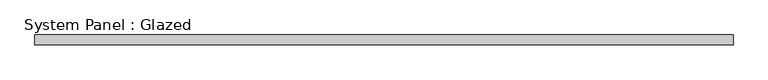
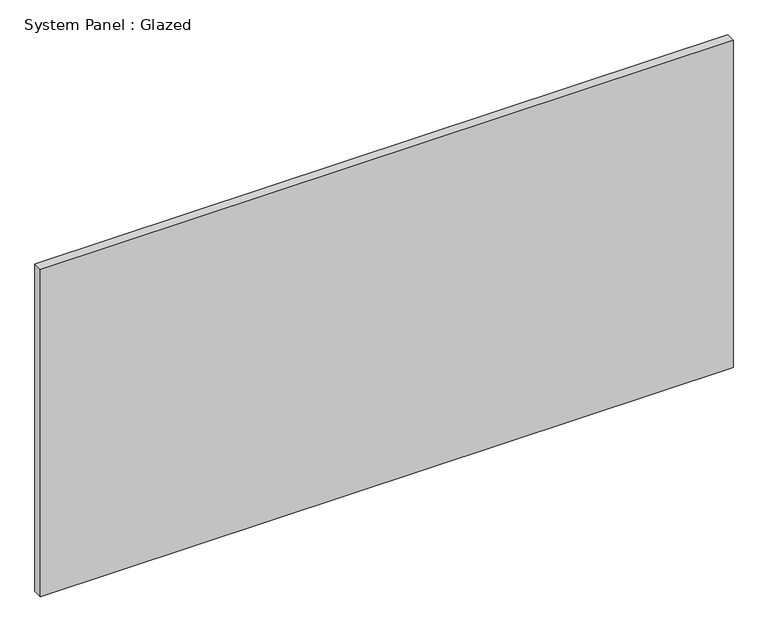
"""IFC4 building model written with IfcOpenShell, lengths in millimetres: plate geometry, System Panel : Glazed."""

import ifcopenshell
import ifcopenshell.guid

model = None  # the IFC model being written
_history = None  # IfcOwnerHistory: only IFC2X3 demands one
_inside = {}  # id of a spatial element -> (the spatial element, [elements in it])
_under = {}  # id of a project, library or spatial element -> (it, [spatial elements below it])
_declared = {}  # id of a project -> (the project, [libraries it declares])
_typed = {}  # id of a type object -> (the type object, [elements of that type])
_made_of = {}  # id of a material, layer set ... -> (it, [elements and type objects made of it])


def new_model(schema):
    """Start an empty IFC model of exactly this schema.

    Asked for "IFC4X3", IfcOpenShell would pick the latest addendum, in which some entities
    have other attributes; the version numbers below select the first issue.
    IFC2X3 requires an IfcOwnerHistory on every rooted entity: one is made here for all.
    """
    global model, _history
    if schema == "IFC4X3":
        model = ifcopenshell.file(schema_version=(4, 3, 0, 0))
    else:
        model = ifcopenshell.file(schema=schema)
    _inside.clear()
    _under.clear()
    _declared.clear()
    _typed.clear()
    _made_of.clear()
    _history = None
    if model.schema == "IFC2X3":
        org = make("IfcOrganization", Name="unknown")
        user = make(
            "IfcPersonAndOrganization",
            ThePerson=make("IfcPerson", FamilyName="unknown"),
            TheOrganization=org,
        )
        app = make(
            "IfcApplication",
            ApplicationDeveloper=org,
            Version="unknown",
            ApplicationFullName="unknown",
            ApplicationIdentifier="unknown",
        )
        _history = make(
            "IfcOwnerHistory",
            OwningUser=user,
            OwningApplication=app,
            ChangeAction="ADDED",
            CreationDate=0,
        )
    return model


def make(cls, **values):
    """One entity of the class cls with the attributes given. An attribute that is None is left unset."""
    return model.create_entity(
        cls, **{name: value for name, value in values.items() if value is not None}
    )


def rooted(cls, **values):
    """An entity with a GlobalId (a new one), such as an element, a storey or a relation."""
    return make(cls, GlobalId=ifcopenshell.guid.new(), OwnerHistory=_history, **values)


def si_unit(unit_type, name, prefix=None):
    """IfcSIUnit, for example si_unit("LENGTHUNIT", "METRE", prefix="MILLI")."""
    return make("IfcSIUnit", UnitType=unit_type, Prefix=prefix, Name=name)


def assignment(units):
    """IfcUnitAssignment: the units of a project."""
    return None if units is None else make("IfcUnitAssignment", Units=units)


def point(xyz):
    """IfcCartesianPoint."""
    return None if xyz is None else make("IfcCartesianPoint", Coordinates=xyz)


def direction(xyz):
    """IfcDirection."""
    return None if xyz is None else make("IfcDirection", DirectionRatios=xyz)


def frame(location, z_axis=None, x_axis=None):
    """IfcAxis2Placement3D, a coordinate frame: its origin and axes. An axis left out is left unset."""
    return make(
        "IfcAxis2Placement3D",
        Location=point(location),
        Axis=direction(z_axis),
        RefDirection=direction(x_axis),
    )


def origin():
    """The frame at (0, 0, 0) with its axes left unset."""
    return frame((0.0, 0.0, 0.0))


def origin_with_axes():
    """The frame at (0, 0, 0) with the z axis (0, 0, 1) and the x axis (1, 0, 0) written out."""
    return frame((0.0, 0.0, 0.0), z_axis=(0.0, 0.0, 1.0), x_axis=(1.0, 0.0, 0.0))


def place(relative_to, where):
    """IfcLocalPlacement: puts the frame where relative to a parent placement (None: the world)."""
    return make(
        "IfcLocalPlacement", PlacementRelTo=relative_to, RelativePlacement=where
    )


def context(
    kind, dimensions, precision=None, world=None, true_north=None, identifier=None
):
    """IfcGeometricRepresentationContext, for example the 3D "Model" context."""
    return make(
        "IfcGeometricRepresentationContext",
        ContextIdentifier=identifier,
        ContextType=kind,
        CoordinateSpaceDimension=dimensions,
        Precision=precision,
        WorldCoordinateSystem=world,
        TrueNorth=true_north,
    )


def project(units=None, contexts=None):
    """IfcProject with its units and contexts."""
    return rooted(
        "IfcProject",
        Name="project",
        RepresentationContexts=contexts,
        UnitsInContext=assignment(units),
    )


def spatial(cls, under=None, at=None, **own):
    """A site, building, storey or space (cls), placed at a placement, below another one or the project."""
    s = rooted(cls, ObjectPlacement=at, **own)
    if under is not None:
        _under.setdefault(under.id(), (under, []))[1].append(s)
    return s


def polyline(points):
    """IfcPolyline through the points."""
    return make("IfcPolyline", Points=[point(p) for p in points])


def outline(outer, holes=None, kind="AREA"):
    """IfcArbitraryClosedProfileDef: a profile drawn as a closed curve; with holes, ...WithVoids."""
    if holes is None:
        return make("IfcArbitraryClosedProfileDef", ProfileType=kind, OuterCurve=outer)
    return make(
        "IfcArbitraryProfileDefWithVoids",
        ProfileType=kind,
        OuterCurve=outer,
        InnerCurves=holes,
    )


def extrude(swept, where, along, depth):
    """IfcExtrudedAreaSolid: the profile swept, set in the frame where, extruded along a direction by depth."""
    return make(
        "IfcExtrudedAreaSolid",
        SweptArea=swept,
        Position=where,
        ExtrudedDirection=direction(along),
        Depth=depth,
    )


def shape(context_of_items, identifier, shape_type, items):
    """IfcShapeRepresentation: the items that make up one representation, for example the "Body"."""
    return make(
        "IfcShapeRepresentation",
        ContextOfItems=context_of_items,
        RepresentationIdentifier=identifier,
        RepresentationType=shape_type,
        Items=items,
    )


def source(mapping_origin, context_of_items, identifier, shape_type, items):
    """IfcRepresentationMap: a shape defined once, which mapped items show again and again."""
    return make(
        "IfcRepresentationMap",
        MappingOrigin=mapping_origin,
        MappedRepresentation=shape(context_of_items, identifier, shape_type, items),
    )


def transform(
    local_origin,
    x_axis=None,
    y_axis=None,
    z_axis=None,
    scale=None,
    scale2=None,
    scale3=None,
    uniform=True,
):
    """IfcCartesianTransformationOperator3D, or its non-uniform kind. x_axis, y_axis, z_axis: its Axis1, 2, 3."""
    if uniform:
        return make(
            "IfcCartesianTransformationOperator3D",
            Axis1=direction(x_axis),
            Axis2=direction(y_axis),
            LocalOrigin=point(local_origin),
            Scale=scale,
            Axis3=direction(z_axis),
        )
    return make(
        "IfcCartesianTransformationOperator3DnonUniform",
        Axis1=direction(x_axis),
        Axis2=direction(y_axis),
        LocalOrigin=point(local_origin),
        Scale=scale,
        Axis3=direction(z_axis),
        Scale2=scale2,
        Scale3=scale3,
    )


def mapped(mapping_source, mapping_target):
    """IfcMappedItem: shows the shape of a source again, moved by a transform."""
    return make(
        "IfcMappedItem", MappingSource=mapping_source, MappingTarget=mapping_target
    )


def made_of(thing, what):
    """Note that an element or type object is made of a material, layer set ...; save() writes the relation."""
    if what is not None:
        _made_of.setdefault(what.id(), (what, []))[1].append(thing)
    return thing


def element(
    cls,
    number,
    at=None,
    inside=None,
    cuts=None,
    type_object=None,
    material=None,
    context=None,
    identifier="Body",
    shape_type=None,
    held_by="IfcProductDefinitionShape",
    body=None,
    shapes=None,
    **own,
):
    """One element of the class cls, such as IfcWall. Its Tag is "e" and its number.

    at: its placement. inside: the storey or other place that contains it. cuts: it is an
    opening in that element (IfcRelVoidsElement). A single representation is given by context,
    identifier, shape_type and body (its items); several are given by shapes. held_by: the class
    of the entity that holds the representations. save() writes the other relations.
    """
    e = rooted(cls, Tag="e%d" % number, ObjectPlacement=at, **own)
    if body is not None:
        shapes = [shape(context, identifier, shape_type, body)]
    if shapes is not None:
        e.Representation = make(held_by, Representations=shapes)
    if inside is not None:
        _inside.setdefault(inside.id(), (inside, []))[1].append(e)
    if cuts is not None:
        rooted(
            "IfcRelVoidsElement", RelatingBuildingElement=cuts, RelatedOpeningElement=e
        )
    if type_object is not None:
        _typed.setdefault(type_object.id(), (type_object, []))[1].append(e)
    return made_of(e, material)


def aggregate(whole, parts):
    """IfcRelAggregates: a whole, such as a stair, and the parts it consists of."""
    return rooted("IfcRelAggregates", RelatingObject=whole, RelatedObjects=parts)


def save(model, path):
    """Write the relations noted so far, then the file.

    IfcRelAggregates (storeys below a building ...), IfcRelContainedInSpatialStructure (elements
    in a storey), IfcRelDefinesByType, IfcRelAssociatesMaterial and IfcRelDeclares: one each for
    every whole, place, type object, material and project.
    """
    for whole, parts in _under.values():
        aggregate(whole, parts)
    for where, things in _inside.values():
        rooted(
            "IfcRelContainedInSpatialStructure",
            RelatedElements=things,
            RelatingStructure=where,
        )
    for kind, things in _typed.values():
        rooted("IfcRelDefinesByType", RelatedObjects=things, RelatingType=kind)
    for what, things in _made_of.values():
        rooted("IfcRelAssociatesMaterial", RelatedObjects=things, RelatingMaterial=what)
    for by, libraries in _declared.values():
        rooted("IfcRelDeclares", RelatingContext=by, RelatedDefinitions=libraries)
    model.write(path)


def system_panel_glazed_df63da1b(model_context):
    return source(origin(), model_context, "Body", "SweptSolid", [
        extrude(outline(polyline([(914.4000002, 19.05), (-914.4000002, 19.05), (-914.4000002, 44.45), (914.4000002, 44.45), (914.4000002, 19.05)])), origin_with_axes(), (0.0, 0.0, 1.0), 914.4),
    ])


if __name__ == "__main__":
    model = new_model("IFC4")
    model_context = context("Model", 3, world=origin())
    ifc_project = project(units=[si_unit("LENGTHUNIT", "METRE", prefix="MILLI")], contexts=[model_context])
    site = spatial("IfcSite", under=ifc_project)
    building = spatial("IfcBuilding", under=site)
    placement = place(None, origin())
    system_panel_glazed_shape = system_panel_glazed_df63da1b(model_context)
    element("IfcPlate", 1, ObjectType="System Panel : Glazed", at=placement, inside=building, context=model_context, shape_type="MappedRepresentation", body=[
        mapped(system_panel_glazed_shape, transform((0.0, 0.0, 0.0), x_axis=(1.0, 0.0, 0.0), y_axis=(0.0, 1.0, 0.0), z_axis=(0.0, 0.0, 1.0))),
    ])
    save(model, "model.ifc")
